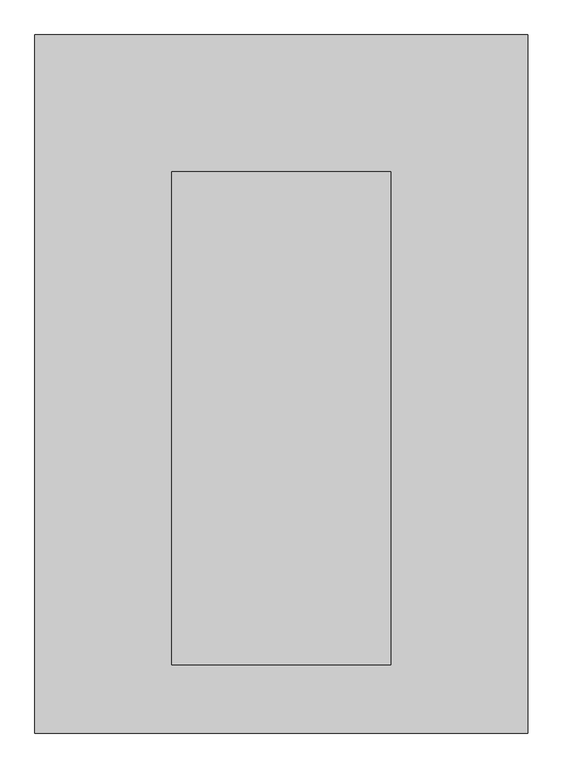
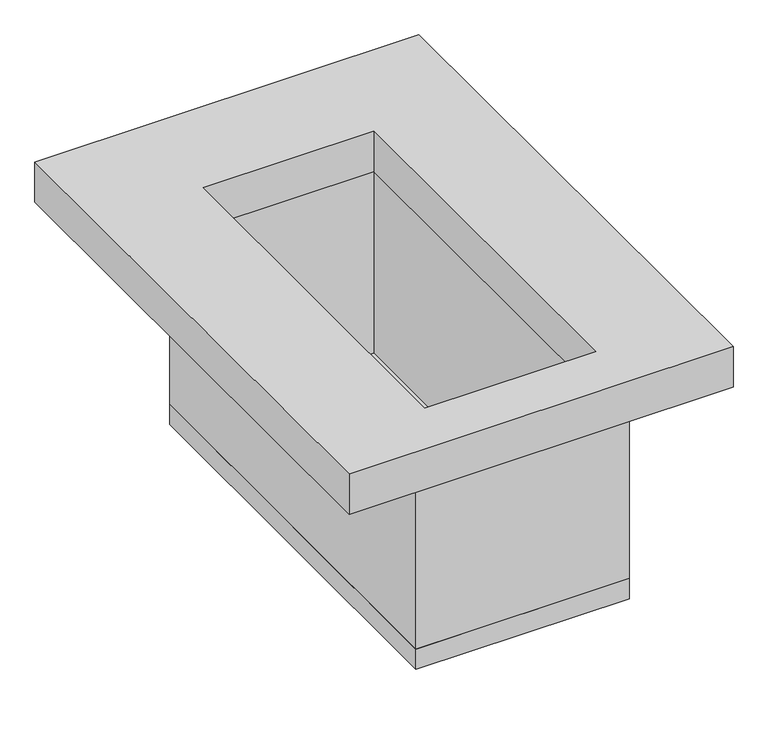
"""IFC4 building model written with IfcOpenShell, lengths in millimetres: proxy geometry."""

from ifc_helpers import new_model, si_unit, frame, origin, origin_with_axes, place, context, project, spatial, polyline, outline, extrude, source, transform, mapped, element, save


def generic_models_20017ae8(model_context):
    return source(origin(), model_context, "Body", "SweptSolid", [
        extrude(outline(polyline([(900.0, 1400.0), (900.0, -1150.0), (-900.0, -1150.0), (-900.0, 1400.0), (900.0, 1400.0)]), holes=[polyline([(400.0, 900.0), (-400.0, 900.0), (-400.0, -900.0), (400.0, -900.0), (400.0, 900.0)])]), origin_with_axes(), (0.0, 0.0, 1.0), 200.0),
        extrude(outline(polyline([(500.0, -1000.0), (-500.0, -1000.0), (-500.0, 1000.0), (500.0, 1000.0), (500.0, -1000.0)])), frame((0.0, 0.0, -1000.0), z_axis=(0.0, 0.0, 1.0), x_axis=(1.0, 0.0, 0.0)), (0.0, 0.0, 1.0), 100.0),
        extrude(outline(polyline([(-500.0, 1000.0), (500.0, 1000.0), (500.0, -1000.0), (-500.0, -1000.0), (-500.0, 1000.0)]), holes=[polyline([(400.0, 900.0), (-400.0, 900.0), (-400.0, -900.0), (400.0, -900.0), (400.0, 900.0)])]), frame((0.0, 0.0, -900.0), z_axis=(0.0, 0.0, 1.0), x_axis=(1.0, 0.0, 0.0)), (0.0, 0.0, 1.0), 900.0),
    ])


if __name__ == "__main__":
    model = new_model("IFC4")
    model_context = context("Model", 3, world=origin())
    ifc_project = project(units=[si_unit("LENGTHUNIT", "METRE", prefix="MILLI")], contexts=[model_context])
    site = spatial("IfcSite", under=ifc_project)
    building = spatial("IfcBuilding", under=site)
    placement = place(None, origin())
    generic_models_shape = generic_models_20017ae8(model_context)
    element("IfcBuildingElementProxy", 1, Name="Generic Models", at=placement, inside=building, context=model_context, shape_type="MappedRepresentation", body=[
        mapped(generic_models_shape, transform((0.0, 0.0, 0.0), x_axis=(1.0, 0.0, 0.0), y_axis=(0.0, 1.0, 0.0), z_axis=(0.0, 0.0, 1.0))),
    ])
    save(model, "model.ifc")
